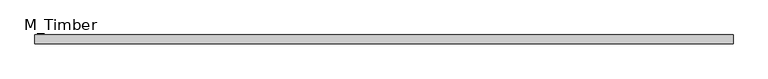
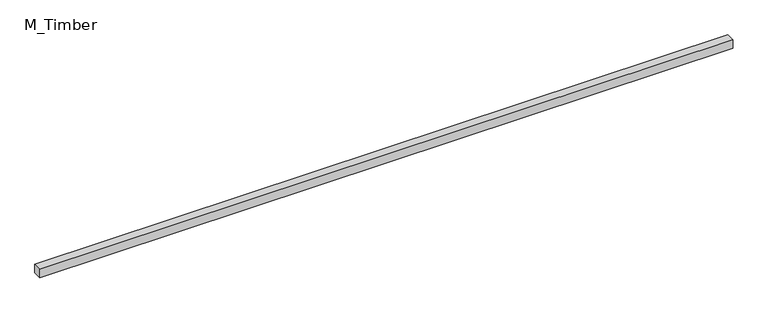
"""IFC4 building model written with IfcOpenShell, lengths in millimetres: beam geometry, M_Timber."""

from ifc_helpers import new_model, si_unit, frame, origin, place, context, project, spatial, polyline, outline, extrude, source, transform, mapped, element, save


def m_timber_c93c7f6a(model_context):
    return source(origin(), model_context, "Body", "SweptSolid", [
        extrude(outline(polyline([(1595.6512412, 20.0), (1595.6512412, -20.0), (-1595.6512412, -20.0), (-1595.6512412, 20.0), (1595.6512412, 20.0)])), frame((0.0, 0.0, -20.0), z_axis=(0.0, 0.0, 1.0), x_axis=(1.0, 0.0, 0.0)), (0.0, 0.0, 1.0), 40.0),
    ])


if __name__ == "__main__":
    model = new_model("IFC4")
    model_context = context("Model", 3, world=origin())
    ifc_project = project(units=[si_unit("LENGTHUNIT", "METRE", prefix="MILLI")], contexts=[model_context])
    site = spatial("IfcSite", under=ifc_project)
    building = spatial("IfcBuilding", under=site)
    placement = place(None, origin())
    m_timber_shape = m_timber_c93c7f6a(model_context)
    element("IfcBeam", 1, ObjectType="M_Timber", at=placement, inside=building, context=model_context, shape_type="MappedRepresentation", body=[
        mapped(m_timber_shape, transform((0.0, 0.0, 0.0), x_axis=(1.0, 0.0, 0.0), y_axis=(0.0, 1.0, 0.0), z_axis=(0.0, 0.0, 1.0))),
    ])
    save(model, "model.ifc")
